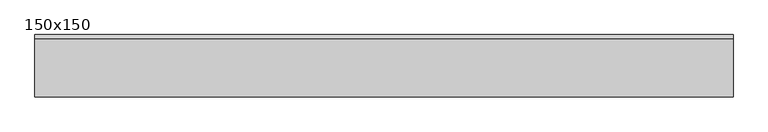
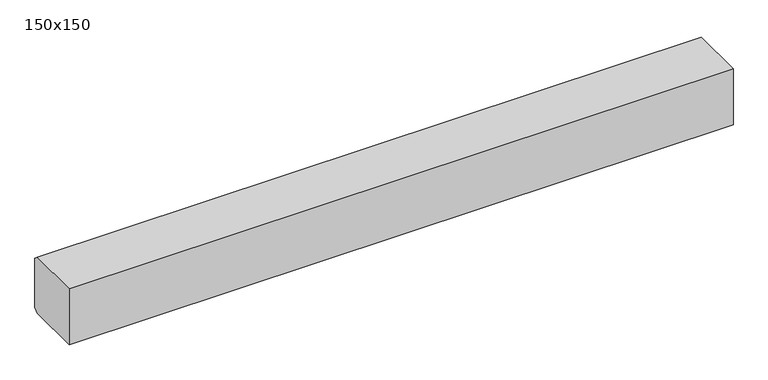
"""IFC4 building model written with IfcOpenShell, lengths in millimetres: beam geometry, 150x150."""

import ifcopenshell
import ifcopenshell.guid

model = None  # the IFC model being written
_history = None  # IfcOwnerHistory: only IFC2X3 demands one
_inside = {}  # id of a spatial element -> (the spatial element, [elements in it])
_under = {}  # id of a project, library or spatial element -> (it, [spatial elements below it])
_declared = {}  # id of a project -> (the project, [libraries it declares])
_typed = {}  # id of a type object -> (the type object, [elements of that type])
_made_of = {}  # id of a material, layer set ... -> (it, [elements and type objects made of it])


def new_model(schema):
    """Start an empty IFC model of exactly this schema.

    Asked for "IFC4X3", IfcOpenShell would pick the latest addendum, in which some entities
    have other attributes; the version numbers below select the first issue.
    IFC2X3 requires an IfcOwnerHistory on every rooted entity: one is made here for all.
    """
    global model, _history
    if schema == "IFC4X3":
        model = ifcopenshell.file(schema_version=(4, 3, 0, 0))
    else:
        model = ifcopenshell.file(schema=schema)
    _inside.clear()
    _under.clear()
    _declared.clear()
    _typed.clear()
    _made_of.clear()
    _history = None
    if model.schema == "IFC2X3":
        org = make("IfcOrganization", Name="unknown")
        user = make(
            "IfcPersonAndOrganization",
            ThePerson=make("IfcPerson", FamilyName="unknown"),
            TheOrganization=org,
        )
        app = make(
            "IfcApplication",
            ApplicationDeveloper=org,
            Version="unknown",
            ApplicationFullName="unknown",
            ApplicationIdentifier="unknown",
        )
        _history = make(
            "IfcOwnerHistory",
            OwningUser=user,
            OwningApplication=app,
            ChangeAction="ADDED",
            CreationDate=0,
        )
    return model


def make(cls, **values):
    """One entity of the class cls with the attributes given. An attribute that is None is left unset."""
    return model.create_entity(
        cls, **{name: value for name, value in values.items() if value is not None}
    )


def rooted(cls, **values):
    """An entity with a GlobalId (a new one), such as an element, a storey or a relation."""
    return make(cls, GlobalId=ifcopenshell.guid.new(), OwnerHistory=_history, **values)


def si_unit(unit_type, name, prefix=None):
    """IfcSIUnit, for example si_unit("LENGTHUNIT", "METRE", prefix="MILLI")."""
    return make("IfcSIUnit", UnitType=unit_type, Prefix=prefix, Name=name)


def assignment(units):
    """IfcUnitAssignment: the units of a project."""
    return None if units is None else make("IfcUnitAssignment", Units=units)


def point(xyz):
    """IfcCartesianPoint."""
    return None if xyz is None else make("IfcCartesianPoint", Coordinates=xyz)


def direction(xyz):
    """IfcDirection."""
    return None if xyz is None else make("IfcDirection", DirectionRatios=xyz)


def frame(location, z_axis=None, x_axis=None):
    """IfcAxis2Placement3D, a coordinate frame: its origin and axes. An axis left out is left unset."""
    return make(
        "IfcAxis2Placement3D",
        Location=point(location),
        Axis=direction(z_axis),
        RefDirection=direction(x_axis),
    )


def origin():
    """The frame at (0, 0, 0) with its axes left unset."""
    return frame((0.0, 0.0, 0.0))


def place(relative_to, where):
    """IfcLocalPlacement: puts the frame where relative to a parent placement (None: the world)."""
    return make(
        "IfcLocalPlacement", PlacementRelTo=relative_to, RelativePlacement=where
    )


def context(
    kind, dimensions, precision=None, world=None, true_north=None, identifier=None
):
    """IfcGeometricRepresentationContext, for example the 3D "Model" context."""
    return make(
        "IfcGeometricRepresentationContext",
        ContextIdentifier=identifier,
        ContextType=kind,
        CoordinateSpaceDimension=dimensions,
        Precision=precision,
        WorldCoordinateSystem=world,
        TrueNorth=true_north,
    )


def project(units=None, contexts=None):
    """IfcProject with its units and contexts."""
    return rooted(
        "IfcProject",
        Name="project",
        RepresentationContexts=contexts,
        UnitsInContext=assignment(units),
    )


def spatial(cls, under=None, at=None, **own):
    """A site, building, storey or space (cls), placed at a placement, below another one or the project."""
    s = rooted(cls, ObjectPlacement=at, **own)
    if under is not None:
        _under.setdefault(under.id(), (under, []))[1].append(s)
    return s


def polyline(points):
    """IfcPolyline through the points."""
    return make("IfcPolyline", Points=[point(p) for p in points])


def outline(outer, holes=None, kind="AREA"):
    """IfcArbitraryClosedProfileDef: a profile drawn as a closed curve; with holes, ...WithVoids."""
    if holes is None:
        return make("IfcArbitraryClosedProfileDef", ProfileType=kind, OuterCurve=outer)
    return make(
        "IfcArbitraryProfileDefWithVoids",
        ProfileType=kind,
        OuterCurve=outer,
        InnerCurves=holes,
    )


def extrude(swept, where, along, depth):
    """IfcExtrudedAreaSolid: the profile swept, set in the frame where, extruded along a direction by depth."""
    return make(
        "IfcExtrudedAreaSolid",
        SweptArea=swept,
        Position=where,
        ExtrudedDirection=direction(along),
        Depth=depth,
    )


def shape(context_of_items, identifier, shape_type, items):
    """IfcShapeRepresentation: the items that make up one representation, for example the "Body"."""
    return make(
        "IfcShapeRepresentation",
        ContextOfItems=context_of_items,
        RepresentationIdentifier=identifier,
        RepresentationType=shape_type,
        Items=items,
    )


def source(mapping_origin, context_of_items, identifier, shape_type, items):
    """IfcRepresentationMap: a shape defined once, which mapped items show again and again."""
    return make(
        "IfcRepresentationMap",
        MappingOrigin=mapping_origin,
        MappedRepresentation=shape(context_of_items, identifier, shape_type, items),
    )


def transform(
    local_origin,
    x_axis=None,
    y_axis=None,
    z_axis=None,
    scale=None,
    scale2=None,
    scale3=None,
    uniform=True,
):
    """IfcCartesianTransformationOperator3D, or its non-uniform kind. x_axis, y_axis, z_axis: its Axis1, 2, 3."""
    if uniform:
        return make(
            "IfcCartesianTransformationOperator3D",
            Axis1=direction(x_axis),
            Axis2=direction(y_axis),
            LocalOrigin=point(local_origin),
            Scale=scale,
            Axis3=direction(z_axis),
        )
    return make(
        "IfcCartesianTransformationOperator3DnonUniform",
        Axis1=direction(x_axis),
        Axis2=direction(y_axis),
        LocalOrigin=point(local_origin),
        Scale=scale,
        Axis3=direction(z_axis),
        Scale2=scale2,
        Scale3=scale3,
    )


def mapped(mapping_source, mapping_target):
    """IfcMappedItem: shows the shape of a source again, moved by a transform."""
    return make(
        "IfcMappedItem", MappingSource=mapping_source, MappingTarget=mapping_target
    )


def made_of(thing, what):
    """Note that an element or type object is made of a material, layer set ...; save() writes the relation."""
    if what is not None:
        _made_of.setdefault(what.id(), (what, []))[1].append(thing)
    return thing


def element(
    cls,
    number,
    at=None,
    inside=None,
    cuts=None,
    type_object=None,
    material=None,
    context=None,
    identifier="Body",
    shape_type=None,
    held_by="IfcProductDefinitionShape",
    body=None,
    shapes=None,
    **own,
):
    """One element of the class cls, such as IfcWall. Its Tag is "e" and its number.

    at: its placement. inside: the storey or other place that contains it. cuts: it is an
    opening in that element (IfcRelVoidsElement). A single representation is given by context,
    identifier, shape_type and body (its items); several are given by shapes. held_by: the class
    of the entity that holds the representations. save() writes the other relations.
    """
    e = rooted(cls, Tag="e%d" % number, ObjectPlacement=at, **own)
    if body is not None:
        shapes = [shape(context, identifier, shape_type, body)]
    if shapes is not None:
        e.Representation = make(held_by, Representations=shapes)
    if inside is not None:
        _inside.setdefault(inside.id(), (inside, []))[1].append(e)
    if cuts is not None:
        rooted(
            "IfcRelVoidsElement", RelatingBuildingElement=cuts, RelatedOpeningElement=e
        )
    if type_object is not None:
        _typed.setdefault(type_object.id(), (type_object, []))[1].append(e)
    return made_of(e, material)


def aggregate(whole, parts):
    """IfcRelAggregates: a whole, such as a stair, and the parts it consists of."""
    return rooted("IfcRelAggregates", RelatingObject=whole, RelatedObjects=parts)


def save(model, path):
    """Write the relations noted so far, then the file.

    IfcRelAggregates (storeys below a building ...), IfcRelContainedInSpatialStructure (elements
    in a storey), IfcRelDefinesByType, IfcRelAssociatesMaterial and IfcRelDeclares: one each for
    every whole, place, type object, material and project.
    """
    for whole, parts in _under.values():
        aggregate(whole, parts)
    for where, things in _inside.values():
        rooted(
            "IfcRelContainedInSpatialStructure",
            RelatedElements=things,
            RelatingStructure=where,
        )
    for kind, things in _typed.values():
        rooted("IfcRelDefinesByType", RelatedObjects=things, RelatingType=kind)
    for what, things in _made_of.values():
        rooted("IfcRelAssociatesMaterial", RelatedObjects=things, RelatingMaterial=what)
    for by, libraries in _declared.values():
        rooted("IfcRelDeclares", RelatingContext=by, RelatedDefinitions=libraries)
    model.write(path)


def beam_150x150_61c77274(model_context):
    return source(origin(), model_context, "Body", "SweptSolid", [
        extrude(outline(polyline([(75.0, 65.144132), (75.0, -65.144132), (65.0, -75.144132), (-75.0, -75.144132), (-75.0, 74.855868), (65.288264, 74.855868), (75.0, 65.144132)])), frame((-205.2127726, 0.0, 0.0), z_axis=(1.0, 0.0, 0.0), x_axis=(0.0, 1.0, 0.0)), (0.0, 0.0, 1.0), 1684.2642292),
    ])


if __name__ == "__main__":
    model = new_model("IFC4")
    model_context = context("Model", 3, world=origin())
    ifc_project = project(units=[si_unit("LENGTHUNIT", "METRE", prefix="MILLI")], contexts=[model_context])
    site = spatial("IfcSite", under=ifc_project)
    building = spatial("IfcBuilding", under=site)
    placement = place(None, origin())
    beam_150x150_shape = beam_150x150_61c77274(model_context)
    element("IfcBeam", 1, ObjectType="150x150", at=placement, inside=building, context=model_context, shape_type="MappedRepresentation", body=[
        mapped(beam_150x150_shape, transform((0.0, 0.0, 0.0), x_axis=(1.0, 0.0, 0.0), y_axis=(0.0, 1.0, 0.0), z_axis=(0.0, 0.0, 1.0))),
    ])
    save(model, "model.ifc")
